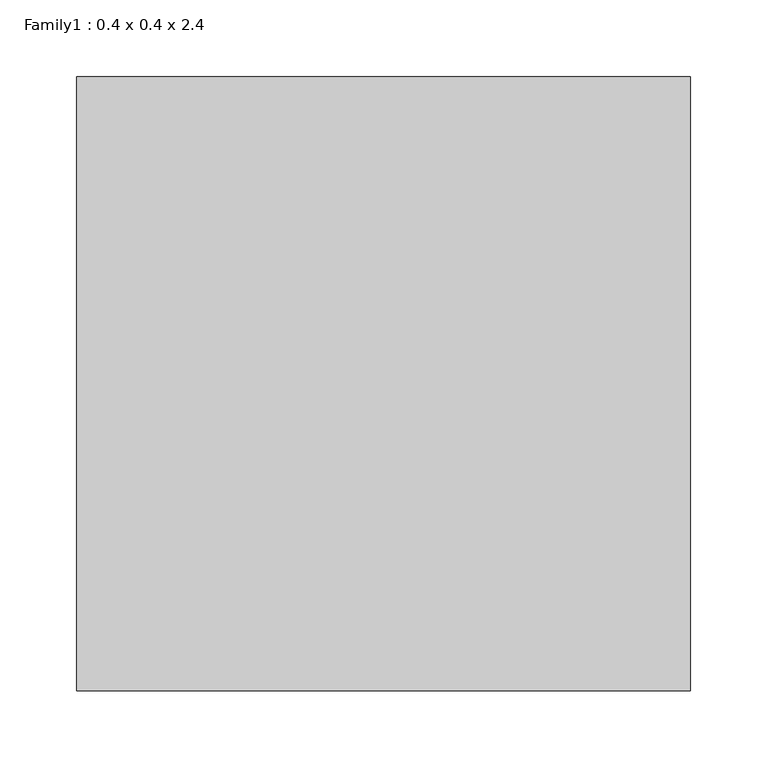
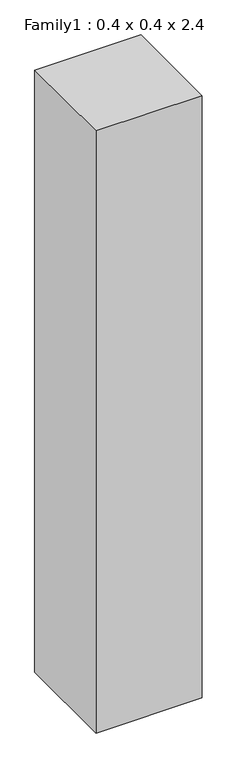
"""IFC4 building model written with IfcOpenShell, lengths in millimetres: proxy geometry, Family1 : 0.4 x 0.4 x 2.4."""

from ifc_helpers import new_model, si_unit, origin, origin_with_axes, place, context, project, spatial, polyline, outline, extrude, source, transform, mapped, element, save


def family1_0_4_x_0_4_x_2_4_03a7503d(model_context):
    return source(origin(), model_context, "Body", "SweptSolid", [
        extrude(outline(polyline([(-200.0, -600.0), (-600.0, -600.0), (-600.0, -200.0), (-200.0, -200.0), (-200.0, -600.0)])), origin_with_axes(), (0.0, 0.0, 1.0), 2400.0),
    ])


if __name__ == "__main__":
    model = new_model("IFC4")
    model_context = context("Model", 3, world=origin())
    ifc_project = project(units=[si_unit("LENGTHUNIT", "METRE", prefix="MILLI")], contexts=[model_context])
    site = spatial("IfcSite", under=ifc_project)
    building = spatial("IfcBuilding", under=site)
    placement = place(None, origin())
    family1_0_4_x_0_4_x_2_4_shape = family1_0_4_x_0_4_x_2_4_03a7503d(model_context)
    element("IfcBuildingElementProxy", 1, Name="Family1 : 0.4 x 0.4 x 2.4", ObjectType="Family1 : 0.4 x 0.4 x 2.4", at=placement, inside=building, context=model_context, shape_type="MappedRepresentation", body=[
        mapped(family1_0_4_x_0_4_x_2_4_shape, transform((0.0, 0.0, 0.0), x_axis=(1.0, 0.0, 0.0), y_axis=(0.0, 1.0, 0.0), z_axis=(0.0, 0.0, 1.0))),
    ])
    save(model, "model.ifc")
